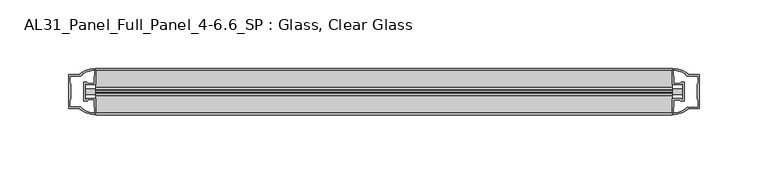
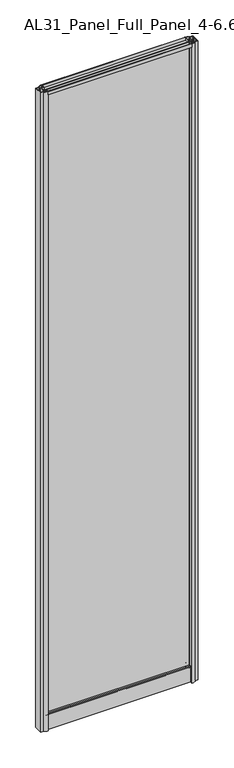
"""IFC4 building model written with IfcOpenShell, lengths in millimetres: plate geometry, AL31_Panel_Full_Panel_4-6.6_SP : Glass, Clear Glass."""

from ifc_helpers import new_model, si_unit, point, frame, frame_2d, origin, origin_with_axes, place, context, project, spatial, polyline, circle_curve, trimmed, segment, composite_curve, outline, extrude, source, transform, mapped, element, save


def al31_panel_full_panel_4_6_6_sp_glass_clear_glass_a124fa52(model_context):
    return source(origin(), model_context, "Body", "SweptSolid", [
        extrude(outline(composite_curve([segment(polyline([(-1.4, 1968.8980762), (-0.85, 1967.9454483)]), True, "CONTINUOUS"), segment(trimmed(circle_curve(frame_2d((0.1, 1966.3)), 1.9), [point((-0.85, 1967.9454483))], [point((1.05, 1967.9454483))], True, "CARTESIAN"), True, "CONTINUOUS"), segment(polyline([(1.05, 1967.9454483), (1.6, 1968.8980762)]), True, "CONTINUOUS"), segment(trimmed(circle_curve(frame_2d((0.1, 1966.3)), 3.0), [point((1.6, 1968.8980762))], [point((2.5718414, 1964.6))], False, "CARTESIAN"), True, "CONTINUOUS"), segment(polyline([(2.5718414, 1964.6), (15.7, 1964.6), (15.7, 1974.0), (17.0, 1974.0), (17.0, 1963.5), (6.7024688, 1963.5), (6.7024688, 1962.7), (6.1968782, 1960.7785039), (6.1968782, 1956.1), (5.0, 1956.1), (5.0, 1961.4339746), (5.5, 1962.3), (5.5, 1963.5), (-5.5, 1963.5), (-5.5, 1962.3), (-5.0, 1961.4339746), (-5.0, 1956.1), (-6.1968782, 1956.1), (-6.1968782, 1960.7785039), (-6.7024688, 1962.7), (-6.7024688, 1963.5), (-17.0, 1963.5), (-17.0, 1974.0), (-15.7, 1974.0), (-15.7, 1964.6), (-2.3718414, 1964.6)]), True, "CONTINUOUS"), segment(trimmed(circle_curve(frame_2d((0.1, 1966.3)), 3.0), [point((-2.3718414, 1964.6))], [point((-1.4, 1968.8980762))], False, "CARTESIAN"), True, "CONTINUOUS")], self_intersect=False)), frame((-210.1801316, 0.0, 0.0), z_axis=(1.0, 0.0, 0.0), x_axis=(0.0, 1.0, 0.0)), (0.0, 0.0, 1.0), 420.3602632),
        extrude(outline(composite_curve([segment(polyline([(-218.021553, -5.9), (-216.821553, -5.9), (-216.821553, -5.0), (-210.1801316, -5.0), (-210.1801316, -17.0001453)]), True, "CONTINUOUS"), segment(trimmed(circle_curve(frame_2d((-209.81548, 2.9965302)), 20.0), [point((-210.1801316, -17.0001453))], [point((-221.5359668, -13.2093388))], False, "CARTESIAN"), True, "CONTINUOUS"), segment(polyline([(-221.5359668, -13.2093388), (-221.5359668, -12.3279343), (-230.1801316, -12.3279343), (-230.1801316, 12.3720657), (-221.5359668, 12.3720657), (-221.5359668, 13.2095249)]), True, "CONTINUOUS"), segment(trimmed(circle_curve(frame_2d((-209.81548, -2.9963441)), 20.0), [point((-221.5359668, 13.2095249))], [point((-210.1801316, 17.0003314))], False, "CARTESIAN"), True, "CONTINUOUS"), segment(polyline([(-210.1801316, 17.0003314), (-210.1801316, 5.0), (-216.821553, 5.0), (-216.821553, 5.9), (-218.021553, 5.9), (-218.021553, -5.9)]), True, "CONTINUOUS")], self_intersect=False), holes=[composite_curve([segment(trimmed(circle_curve(frame_2d((-217.021553, 5.7)), 1.5), [point((-217.021553, 7.2))], [point((-215.6662987, 6.3428731))], False, "CARTESIAN"), True, "CONTINUOUS"), segment(polyline([(-215.6662987, 6.3428731), (-211.921553, 6.3428731), (-211.921553, 10.939223), (-211.4822131, 11.9998832), (-211.4822131, 15.6499817)]), True, "CONTINUOUS"), segment(trimmed(circle_curve(frame_2d((-209.81548, -2.9755921)), 18.7), [point((-211.4822131, 15.6499817))], [point((-219.8222578, 12.8216987))], True, "CARTESIAN"), True, "CONTINUOUS"), segment(trimmed(circle_curve(frame_2d((-221.621553, 12.8720657)), 1.8), [point((-219.8222578, 12.8216987))], [point((-221.621553, 11.0720657))], False, "CARTESIAN"), True, "CONTINUOUS"), segment(polyline([(-221.621553, 11.0720657), (-228.7629743, 11.0720657), (-228.7629743, 6.5019606), (-228.321553, 5.439223), (-228.321553, -5.3950916), (-228.821553, -6.3879987), (-228.821553, -11.0279343), (-221.621553, -11.0279343)]), True, "CONTINUOUS"), segment(trimmed(circle_curve(frame_2d((-221.621553, -12.8279343)), 1.8), [point((-221.621553, -11.0279343))], [point((-219.8222578, -12.7775673))], False, "CARTESIAN"), True, "CONTINUOUS"), segment(trimmed(circle_curve(frame_2d((-209.81548, 3.0197235)), 18.7), [point((-219.8222578, -12.7775673))], [point((-211.4822131, -15.6058503))], True, "CARTESIAN"), True, "CONTINUOUS"), segment(polyline([(-211.4822131, -15.6058503), (-211.4822131, -11.9557518), (-211.921553, -10.8950916), (-211.921553, -6.2991308), (-215.6464012, -6.2991308)]), True, "CONTINUOUS"), segment(trimmed(circle_curve(frame_2d((-217.021553, -5.7)), 1.5), [point((-215.6464012, -6.2991308))], [point((-217.021553, -7.2))], False, "CARTESIAN"), True, "CONTINUOUS"), segment(polyline([(-217.021553, -7.2), (-219.321553, -7.2), (-219.321553, 7.2), (-217.021553, 7.2)]), True, "CONTINUOUS")], self_intersect=False)]), origin_with_axes(), (0.0, 0.0, 1.0), 1974.0),
        extrude(outline(composite_curve([segment(polyline([(218.021553, 5.9), (216.821553, 5.9), (216.821553, 5.0), (210.1801316, 5.0), (210.1801316, 17.0001453)]), True, "CONTINUOUS"), segment(trimmed(circle_curve(frame_2d((209.81548, -2.9965302)), 20.0), [point((210.1801316, 17.0001453))], [point((221.5359668, 13.2093388))], False, "CARTESIAN"), True, "CONTINUOUS"), segment(polyline([(221.5359668, 13.2093388), (221.5359668, 12.3279343), (230.1801316, 12.3279343), (230.1801316, -12.3720657), (221.5359668, -12.3720657), (221.5359668, -13.2095249)]), True, "CONTINUOUS"), segment(trimmed(circle_curve(frame_2d((209.81548, 2.9963441)), 20.0), [point((221.5359668, -13.2095249))], [point((210.1801316, -17.0003314))], False, "CARTESIAN"), True, "CONTINUOUS"), segment(polyline([(210.1801316, -17.0003314), (210.1801316, -5.0), (216.821553, -5.0), (216.821553, -5.9), (218.021553, -5.9), (218.021553, 5.9)]), True, "CONTINUOUS")], self_intersect=False), holes=[composite_curve([segment(trimmed(circle_curve(frame_2d((217.021553, -5.7)), 1.5), [point((217.021553, -7.2))], [point((215.6662987, -6.3428731))], False, "CARTESIAN"), True, "CONTINUOUS"), segment(polyline([(215.6662987, -6.3428731), (211.921553, -6.3428731), (211.921553, -10.939223), (211.4822131, -11.9998832), (211.4822131, -15.6499817)]), True, "CONTINUOUS"), segment(trimmed(circle_curve(frame_2d((209.81548, 2.9755921)), 18.7), [point((211.4822131, -15.6499817))], [point((219.8222578, -12.8216987))], True, "CARTESIAN"), True, "CONTINUOUS"), segment(trimmed(circle_curve(frame_2d((221.621553, -12.8720657)), 1.8), [point((219.8222578, -12.8216987))], [point((221.621553, -11.0720657))], False, "CARTESIAN"), True, "CONTINUOUS"), segment(polyline([(221.621553, -11.0720657), (228.7629743, -11.0720657), (228.7629743, -6.5019606), (228.321553, -5.439223), (228.321553, 5.3950916), (228.821553, 6.3879987), (228.821553, 11.0279343), (221.621553, 11.0279343)]), True, "CONTINUOUS"), segment(trimmed(circle_curve(frame_2d((221.621553, 12.8279343)), 1.8), [point((221.621553, 11.0279343))], [point((219.8222578, 12.7775673))], False, "CARTESIAN"), True, "CONTINUOUS"), segment(trimmed(circle_curve(frame_2d((209.81548, -3.0197235)), 18.7), [point((219.8222578, 12.7775673))], [point((211.4822131, 15.6058503))], True, "CARTESIAN"), True, "CONTINUOUS"), segment(polyline([(211.4822131, 15.6058503), (211.4822131, 11.9557518), (211.921553, 10.8950916), (211.921553, 6.2991308), (215.6464012, 6.2991308)]), True, "CONTINUOUS"), segment(trimmed(circle_curve(frame_2d((217.021553, 5.7)), 1.5), [point((215.6464012, 6.2991308))], [point((217.021553, 7.2))], False, "CARTESIAN"), True, "CONTINUOUS"), segment(polyline([(217.021553, 7.2), (219.321553, 7.2), (219.321553, -7.2), (217.021553, -7.2)]), True, "CONTINUOUS")], self_intersect=False)]), origin_with_axes(), (0.0, 0.0, 1.0), 1974.0),
        extrude(outline(composite_curve([segment(trimmed(circle_curve(frame_2d((-8.4, 34.8)), 1.0), [point((-8.4, 35.8))], [point((-9.4, 34.8))], True, "CARTESIAN"), True, "CONTINUOUS"), segment(polyline([(-9.4, 34.8), (-9.4, 33.5), (-5.0000303, 33.5), (-5.0000303, 32.3), (-9.4, 32.3), (-9.4, 0.0), (-10.6, 0.0), (-10.6, 47.3)]), True, "CONTINUOUS"), segment(trimmed(circle_curve(frame_2d((-8.6, 47.3)), 2.0), [point((-10.6, 47.3))], [point((-8.6, 49.3))], False, "CARTESIAN"), True, "CONTINUOUS"), segment(polyline([(-8.6, 49.3), (-5.0, 49.3), (-5.0, 41.9), (5.0, 41.9), (5.0, 49.3), (8.6, 49.3)]), True, "CONTINUOUS"), segment(trimmed(circle_curve(frame_2d((8.6, 47.3)), 2.0), [point((8.6, 49.3))], [point((10.6, 47.3))], False, "CARTESIAN"), True, "CONTINUOUS"), segment(polyline([(10.6, 47.3), (10.6, 0.0), (9.4, 0.0), (9.4, 32.3), (4.9999697, 32.3), (4.9999697, 33.5), (9.4, 33.5), (9.4, 34.8)]), True, "CONTINUOUS"), segment(trimmed(circle_curve(frame_2d((8.4, 34.8)), 1.0), [point((9.4, 34.8))], [point((8.4, 35.8))], True, "CARTESIAN"), True, "CONTINUOUS"), segment(polyline([(8.4, 35.8), (-8.4, 35.8)]), True, "CONTINUOUS")], self_intersect=False), holes=[composite_curve([segment(trimmed(circle_curve(frame_2d((5.5024688, 41.8)), 1.0), [point((6.5024688, 41.8))], [point((5.5024688, 40.8))], False, "CARTESIAN"), True, "CONTINUOUS"), segment(polyline([(5.5024688, 40.8), (2.8008965, 40.8), (2.8008965, 39.7274194), (1.8370508, 39.7274194)]), True, "CONTINUOUS"), segment(trimmed(circle_curve(frame_2d((0.0, 38.7)), 2.1048387), [point((1.8370508, 39.7274194))], [point((-1.8370508, 39.7274194))], True, "CARTESIAN"), True, "CONTINUOUS"), segment(polyline([(-1.8370508, 39.7274194), (-2.8008965, 39.7274194), (-2.8008965, 40.8), (-5.5024688, 40.8)]), True, "CONTINUOUS"), segment(trimmed(circle_curve(frame_2d((-5.5024688, 41.8)), 1.0), [point((-5.5024688, 40.8))], [point((-6.5024688, 41.8))], False, "CARTESIAN"), True, "CONTINUOUS"), segment(polyline([(-6.5024688, 41.8), (-6.5024688, 42.7)]), True, "CONTINUOUS"), segment(trimmed(circle_curve(frame_2d((-5.3024688, 42.7)), 1.2), [point((-6.5024688, 42.7))], [point((-6.1198184, 43.5786009))], False, "CARTESIAN"), True, "CONTINUOUS"), segment(polyline([(-6.1198184, 43.5786009), (-6.1198184, 48.2), (-8.4, 48.2)]), True, "CONTINUOUS"), segment(trimmed(circle_curve(frame_2d((-8.4, 47.2)), 1.0), [point((-8.4, 48.2))], [point((-9.4, 47.2))], True, "CARTESIAN"), True, "CONTINUOUS"), segment(polyline([(-9.4, 47.2), (-9.4, 37.04), (-2.8008965, 37.04), (-2.8008965, 38.0725806), (-1.8370508, 38.0725806)]), True, "CONTINUOUS"), segment(trimmed(circle_curve(frame_2d((0.0, 39.1)), 2.1048387), [point((-1.8370508, 38.0725806))], [point((1.8370508, 38.0725806))], True, "CARTESIAN"), True, "CONTINUOUS"), segment(polyline([(1.8370508, 38.0725806), (2.8008965, 38.0725806), (2.8008965, 37.04), (9.4, 37.04), (9.4, 47.2)]), True, "CONTINUOUS"), segment(trimmed(circle_curve(frame_2d((8.4, 47.2)), 1.0), [point((9.4, 47.2))], [point((8.4, 48.2))], True, "CARTESIAN"), True, "CONTINUOUS"), segment(polyline([(8.4, 48.2), (6.1198184, 48.2), (6.1198184, 43.7786009)]), True, "CONTINUOUS"), segment(trimmed(circle_curve(frame_2d((5.3024688, 42.9)), 1.2), [point((6.1198184, 43.7786009))], [point((6.5024688, 42.9))], False, "CARTESIAN"), True, "CONTINUOUS"), segment(polyline([(6.5024688, 42.9), (6.5024688, 41.8)]), True, "CONTINUOUS")], self_intersect=False)]), frame((-210.1801316, 0.0, 0.0), z_axis=(1.0, 0.0, 0.0), x_axis=(0.0, 1.0, 0.0)), (0.0, 0.0, 1.0), 420.3602632),
        extrude(outline(polyline([(218.021553, 2.0), (218.021553, -2.0), (-218.021553, -2.0), (-218.021553, 2.0), (218.021553, 2.0)])), frame((0.0, 0.0, 41.9), z_axis=(0.0, 0.0, 1.0), x_axis=(1.0, 0.0, 0.0)), (0.0, 0.0, 1.0), 1921.6),
    ])


if __name__ == "__main__":
    model = new_model("IFC4")
    model_context = context("Model", 3, world=origin())
    ifc_project = project(units=[si_unit("LENGTHUNIT", "METRE", prefix="MILLI")], contexts=[model_context])
    site = spatial("IfcSite", under=ifc_project)
    building = spatial("IfcBuilding", under=site)
    placement = place(None, origin())
    al31_panel_full_panel_4_6_6_sp_glass_clear_glass_shape = al31_panel_full_panel_4_6_6_sp_glass_clear_glass_a124fa52(model_context)
    element("IfcPlate", 1, ObjectType="AL31_Panel_Full_Panel_4-6.6_SP : Glass, Clear Glass", at=placement, inside=building, context=model_context, shape_type="MappedRepresentation", body=[
        mapped(al31_panel_full_panel_4_6_6_sp_glass_clear_glass_shape, transform((0.0, 0.0, 0.0), x_axis=(1.0, 0.0, 0.0), y_axis=(0.0, 1.0, 0.0), z_axis=(0.0, 0.0, 1.0))),
    ])
    save(model, "model.ifc")
